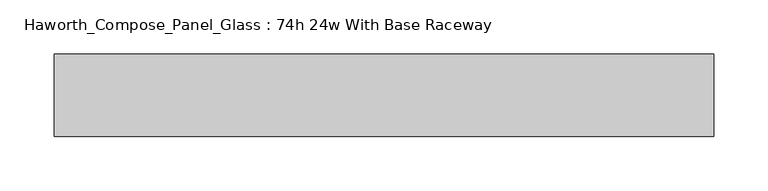
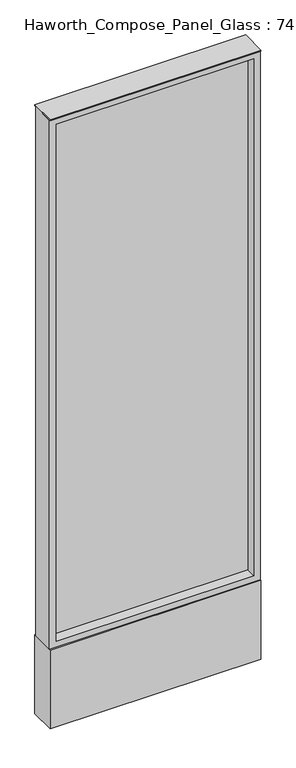
"""IFC4 building model written with IfcOpenShell, lengths in millimetres: furniture geometry, Haworth_Compose_Panel_Glass : 74h 24w With Base Raceway."""

from ifc_helpers import new_model, si_unit, point, frame, frame_2d, origin, origin_with_axes, place, context, project, spatial, polyline, circle_curve, trimmed, segment, composite_curve, outline, extrude, source, transform, mapped, element, save


def haworth_compose_panel_glass_74h_24w_with_base_raceway_5f94f849(model_context):
    return source(origin(), model_context, "Body", "SweptSolid", [
        extrude(outline(composite_curve([segment(trimmed(circle_curve(frame_2d((231.0402902, 0.0)), 12.7), [point((218.3402902, 0.0))], [point((243.7402902, 0.0))], False, "CARTESIAN"), True, "CONTINUOUS"), segment(trimmed(circle_curve(frame_2d((231.0402902, 0.0)), 12.7), [point((243.7402902, 0.0))], [point((218.3402902, 0.0))], False, "CARTESIAN"), True, "CONTINUOUS")], self_intersect=False)), origin_with_axes(), (0.0, 0.0, 1.0), 12.7),
        extrude(outline(composite_curve([segment(trimmed(circle_curve(frame_2d((-226.1597098, 0.0)), 12.7), [point((-238.8597098, 0.0))], [point((-213.4597098, 0.0))], False, "CARTESIAN"), True, "CONTINUOUS"), segment(trimmed(circle_curve(frame_2d((-226.1597098, 0.0)), 12.7), [point((-213.4597098, 0.0))], [point((-238.8597098, 0.0))], False, "CARTESIAN"), True, "CONTINUOUS")], self_intersect=False)), origin_with_axes(), (0.0, 0.0, 1.0), 12.7),
        extrude(outline(polyline([(288.1902902, -6.35), (-283.3097098, -6.35), (-283.3097098, 6.35), (288.1902902, 6.35), (288.1902902, -6.35)])), frame((0.0, 0.0, 273.05), z_axis=(0.0, 0.0, 1.0), x_axis=(1.0, 0.0, 0.0)), (0.0, 0.0, 1.0), 1581.15),
        extrude(outline(polyline([(1873.25, -302.3597098), (254.0, -302.3597098), (254.0, 307.2402902), (1873.25, 307.2402902), (1873.25, -302.3597098)]), holes=[polyline([(1854.2, 288.1902902), (273.05, 288.1902902), (273.05, -283.3097098), (1854.2, -283.3097098), (1854.2, 288.1902902)])]), frame((0.0, -34.925, 0.0), z_axis=(0.0, 1.0, 0.0), x_axis=(0.0, 0.0, 1.0)), (0.0, 0.0, 1.0), 69.85),
        extrude(outline(polyline([(-302.3597098, 38.1), (307.2402902, 38.1), (307.2402902, -38.1), (-302.3597098, -38.1), (-302.3597098, 38.1)])), frame((0.0, 0.0, 12.7), z_axis=(0.0, 0.0, 1.0), x_axis=(1.0, 0.0, 0.0)), (0.0, 0.0, 1.0), 241.3),
        extrude(outline(polyline([(-302.3597098, -38.1), (-302.3597098, 38.1), (307.2402902, 38.1), (307.2402902, -38.1), (-302.3597098, -38.1)])), frame((0.0, 0.0, 1873.25), z_axis=(0.0, 0.0, 1.0), x_axis=(1.0, 0.0, 0.0)), (0.0, 0.0, 1.0), 3.175),
    ])


if __name__ == "__main__":
    model = new_model("IFC4")
    model_context = context("Model", 3, world=origin())
    ifc_project = project(units=[si_unit("LENGTHUNIT", "METRE", prefix="MILLI")], contexts=[model_context])
    site = spatial("IfcSite", under=ifc_project)
    building = spatial("IfcBuilding", under=site)
    placement = place(None, origin())
    haworth_compose_panel_glass_74h_24w_with_base_raceway_shape = haworth_compose_panel_glass_74h_24w_with_base_raceway_5f94f849(model_context)
    element("IfcFurniture", 1, ObjectType="Haworth_Compose_Panel_Glass : 74h 24w With Base Raceway", at=placement, inside=building, context=model_context, shape_type="MappedRepresentation", body=[
        mapped(haworth_compose_panel_glass_74h_24w_with_base_raceway_shape, transform((0.0, 0.0, 0.0), x_axis=(1.0, 0.0, 0.0), y_axis=(0.0, 1.0, 0.0), z_axis=(0.0, 0.0, 1.0))),
    ])
    save(model, "model.ifc")
